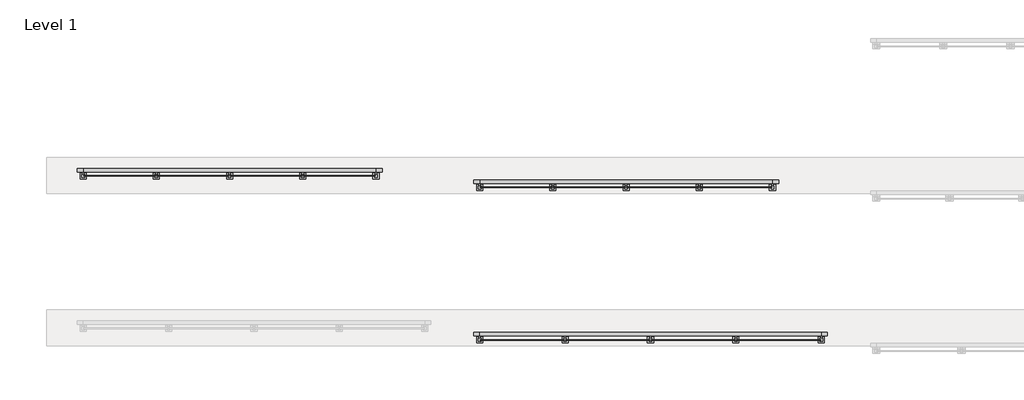
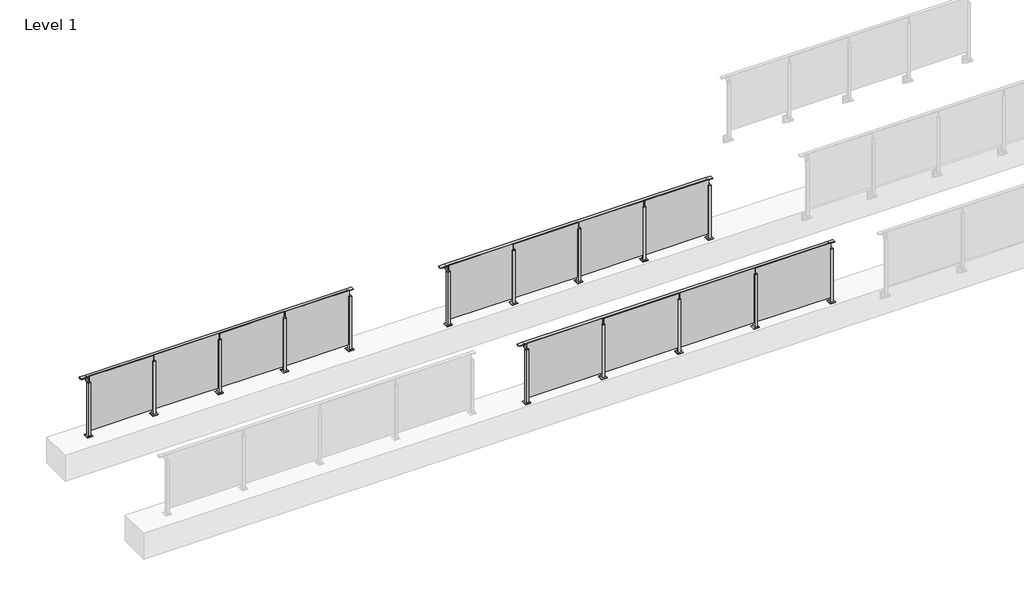
# One storey, part 58 of 64: 3 railings.
"""IFC4 building model written with IfcOpenShell, lengths in millimetres."""

from ifc_helpers import new_model, si_unit, point, frame, frame_2d, origin, origin_with_axes, place, context, project, spatial, polyline, circle_curve, trimmed, segment, composite_curve, outline, extrude, faceted_brep, element, save

model = new_model("IFC4")

# Units and contexts
model_context = context("Model", 3, world=origin())
ifc_project = project(units=[si_unit("LENGTHUNIT", "METRE", prefix="MILLI")], contexts=[model_context])

# Site, building, storey
site = spatial("IfcSite", under=ifc_project)
building = spatial("IfcBuilding", under=site)
storey = spatial("IfcBuildingStorey", under=building, Name="Level 1", Elevation=0.0)

# Railings
placement = place(None, origin())
element("IfcRailing", 1, at=placement, inside=storey, context=model_context, shape_type="SolidModel", body=[
    faceted_brep([(36500.0, 45125.6846828, 1085.0), (36500.0, 45125.6846828, 1100.0), (42100.0, 45125.6846828, 1100.0), (42100.0, 45125.6846828, 1085.0), (36500.0, 45065.6846828, 1085.0), (36500.0, 45105.6846828, 1085.0), (42100.0, 45105.6846828, 1085.0), (42100.0, 45065.6846828, 1085.0), (36500.0, 45065.6846828, 1100.0), (42100.0, 45065.6846828, 1100.0), (36400.0, 45125.6846828, 1100.0), (36400.0, 45125.6846828, 1085.0), (36400.0, 45110.6846828, 1085.0), (36400.0, 45110.6846828, 1073.0), (36400.0, 45105.6846828, 1073.0), (36400.0, 45105.6846828, 1085.0), (36400.0, 45065.6846828, 1085.0), (36400.0, 45065.6846828, 1100.0), (42200.0, 45125.6846828, 1100.0), (42200.0, 45065.6846828, 1100.0), (42200.0, 45065.6846828, 1085.0), (42200.0, 45105.6846828, 1085.0), (42200.0, 45105.6846828, 1073.0), (42200.0, 45110.6846828, 1073.0), (42200.0, 45110.6846828, 1085.0), (42200.0, 45125.6846828, 1085.0), (36500.0, 45110.6846828, 1085.0), (42100.0, 45110.6846828, 1085.0), (36500.0, 45110.6846828, 1073.0), (36500.0, 45105.6846828, 1073.0), (42100.0, 45110.6846828, 1073.0), (42100.0, 45105.6846828, 1073.0)], [[[0, 1, 2, 3]], [[4, 5, 6, 7]], [[8, 4, 7, 9]], [[1, 8, 9, 2]], [[10, 11, 12, 13, 14, 15, 16, 17]], [[11, 10, 1, 0]], [[16, 15, 5, 4]], [[17, 16, 4, 8]], [[10, 17, 8, 1]], [[18, 19, 20, 21, 22, 23, 24, 25]], [[3, 2, 18, 25]], [[7, 6, 21, 20]], [[9, 7, 20, 19]], [[2, 9, 19, 18]], [[12, 11, 0, 26]], [[26, 0, 3, 27]], [[27, 3, 25, 24]], [[13, 12, 26, 28]], [[14, 13, 28, 29]], [[15, 14, 29, 5]], [[28, 26, 27, 30]], [[29, 28, 30, 31]], [[5, 29, 31, 6]], [[30, 27, 24, 23]], [[31, 30, 23, 22]], [[6, 31, 22, 21]]]),
    extrude(outline(polyline([(40710.0, 44994.4094929), (40710.0, 45004.4094929), (42090.0, 45004.4094929), (42090.0, 44994.4094929), (40710.0, 44994.4094929)])), frame((0.0, 0.0, 95.0), z_axis=(0.0, 0.0, 1.0), x_axis=(1.0, 0.0, 0.0)), (0.0, 0.0, 1.0), 1055.0),
    extrude(outline(composite_curve([segment(polyline([(45110.6846828, 1085.0), (45110.6846828, 1060.900037)]), True, "CONTINUOUS"), segment(trimmed(circle_curve(frame_2d((45100.6846828, 1060.900037)), 10.0), [point((45110.6846828, 1060.900037))], [point((45103.2728733, 1051.2407787))], False, "CARTESIAN"), True, "CONTINUOUS"), segment(polyline([(45103.2728733, 1051.2407787), (45046.2244733, 1035.9547061)]), True, "CONTINUOUS"), segment(trimmed(circle_curve(frame_2d((45048.8126638, 1026.2954478)), 10.0), [point((45046.2244733, 1035.9547061))], [point((45038.8982152, 1027.6007097))], True, "CARTESIAN"), True, "CONTINUOUS"), segment(polyline([(45038.8982152, 1027.6007097), (45034.291393, 992.6084214)]), True, "CONTINUOUS"), segment(trimmed(circle_curve(frame_2d((45031.3170584, 993.0)), 3.0), [point((45034.291393, 992.6084214))], [point((45031.3170584, 990.0))], False, "CARTESIAN"), True, "CONTINUOUS"), segment(polyline([(45031.3170584, 990.0), (45022.6846828, 990.0), (45022.6846828, 1040.0), (45086.6846828, 1057.1487483), (45086.6846828, 1085.0), (45110.6846828, 1085.0)]), True, "CONTINUOUS")], self_intersect=False)), frame((40687.5, 0.0, 0.0), z_axis=(1.0, 0.0, 0.0), x_axis=(0.0, 1.0, 0.0)), (0.0, 0.0, 1.0), 25.0),
    extrude(outline(polyline([(40722.5, 45022.6846828), (40722.5, 44977.6846828), (40677.5, 44977.6846828), (40677.5, 45022.6846828), (40722.5, 45022.6846828)])), frame((0.0, 0.0, 1040.0), z_axis=(0.0, 0.0, 1.0), x_axis=(1.0, 0.0, 0.0)), (0.0, 0.0, 1.0), 5.0),
    extrude(outline(polyline([(40750.0, 45050.1846828), (40750.0, 44950.1846828), (40650.0, 44950.1846828), (40650.0, 45050.1846828), (40750.0, 45050.1846828)])), origin_with_axes(), (0.0, 0.0, 1.0), 12.0),
    extrude(outline(polyline([(40722.5, 45022.6846828), (40722.5, 44977.6846828), (40677.5, 44977.6846828), (40677.5, 45022.6846828), (40722.5, 45022.6846828)])), frame((0.0, 0.0, 12.0), z_axis=(0.0, 0.0, 1.0), x_axis=(1.0, 0.0, 0.0)), (0.0, 0.0, 1.0), 1028.0),
    extrude(outline(polyline([(39310.0, 44994.4094929), (39310.0, 45004.4094929), (40690.0, 45004.4094929), (40690.0, 44994.4094929), (39310.0, 44994.4094929)])), frame((0.0, 0.0, 95.0), z_axis=(0.0, 0.0, 1.0), x_axis=(1.0, 0.0, 0.0)), (0.0, 0.0, 1.0), 1055.0),
    extrude(outline(composite_curve([segment(polyline([(45110.6846828, 1085.0), (45110.6846828, 1060.900037)]), True, "CONTINUOUS"), segment(trimmed(circle_curve(frame_2d((45100.6846828, 1060.900037)), 10.0), [point((45110.6846828, 1060.900037))], [point((45103.2728733, 1051.2407787))], False, "CARTESIAN"), True, "CONTINUOUS"), segment(polyline([(45103.2728733, 1051.2407787), (45046.2244733, 1035.9547061)]), True, "CONTINUOUS"), segment(trimmed(circle_curve(frame_2d((45048.8126638, 1026.2954478)), 10.0), [point((45046.2244733, 1035.9547061))], [point((45038.8982152, 1027.6007097))], True, "CARTESIAN"), True, "CONTINUOUS"), segment(polyline([(45038.8982152, 1027.6007097), (45034.291393, 992.6084214)]), True, "CONTINUOUS"), segment(trimmed(circle_curve(frame_2d((45031.3170584, 993.0)), 3.0), [point((45034.291393, 992.6084214))], [point((45031.3170584, 990.0))], False, "CARTESIAN"), True, "CONTINUOUS"), segment(polyline([(45031.3170584, 990.0), (45022.6846828, 990.0), (45022.6846828, 1040.0), (45086.6846828, 1057.1487483), (45086.6846828, 1085.0), (45110.6846828, 1085.0)]), True, "CONTINUOUS")], self_intersect=False)), frame((39287.5, 0.0, 0.0), z_axis=(1.0, 0.0, 0.0), x_axis=(0.0, 1.0, 0.0)), (0.0, 0.0, 1.0), 25.0),
    extrude(outline(polyline([(39322.5, 45022.6846828), (39322.5, 44977.6846828), (39277.5, 44977.6846828), (39277.5, 45022.6846828), (39322.5, 45022.6846828)])), frame((0.0, 0.0, 1040.0), z_axis=(0.0, 0.0, 1.0), x_axis=(1.0, 0.0, 0.0)), (0.0, 0.0, 1.0), 5.0),
    extrude(outline(polyline([(39350.0, 45050.1846828), (39350.0, 44950.1846828), (39250.0, 44950.1846828), (39250.0, 45050.1846828), (39350.0, 45050.1846828)])), origin_with_axes(), (0.0, 0.0, 1.0), 12.0),
    extrude(outline(polyline([(39322.5, 45022.6846828), (39322.5, 44977.6846828), (39277.5, 44977.6846828), (39277.5, 45022.6846828), (39322.5, 45022.6846828)])), frame((0.0, 0.0, 12.0), z_axis=(0.0, 0.0, 1.0), x_axis=(1.0, 0.0, 0.0)), (0.0, 0.0, 1.0), 1028.0),
    extrude(outline(polyline([(37910.0, 44994.4094929), (37910.0, 45004.4094929), (39290.0, 45004.4094929), (39290.0, 44994.4094929), (37910.0, 44994.4094929)])), frame((0.0, 0.0, 95.0), z_axis=(0.0, 0.0, 1.0), x_axis=(1.0, 0.0, 0.0)), (0.0, 0.0, 1.0), 1055.0),
    extrude(outline(composite_curve([segment(polyline([(45110.6846828, 1085.0), (45110.6846828, 1060.900037)]), True, "CONTINUOUS"), segment(trimmed(circle_curve(frame_2d((45100.6846828, 1060.900037)), 10.0), [point((45110.6846828, 1060.900037))], [point((45103.2728733, 1051.2407787))], False, "CARTESIAN"), True, "CONTINUOUS"), segment(polyline([(45103.2728733, 1051.2407787), (45046.2244733, 1035.9547061)]), True, "CONTINUOUS"), segment(trimmed(circle_curve(frame_2d((45048.8126638, 1026.2954478)), 10.0), [point((45046.2244733, 1035.9547061))], [point((45038.8982152, 1027.6007097))], True, "CARTESIAN"), True, "CONTINUOUS"), segment(polyline([(45038.8982152, 1027.6007097), (45034.291393, 992.6084214)]), True, "CONTINUOUS"), segment(trimmed(circle_curve(frame_2d((45031.3170584, 993.0)), 3.0), [point((45034.291393, 992.6084214))], [point((45031.3170584, 990.0))], False, "CARTESIAN"), True, "CONTINUOUS"), segment(polyline([(45031.3170584, 990.0), (45022.6846828, 990.0), (45022.6846828, 1040.0), (45086.6846828, 1057.1487483), (45086.6846828, 1085.0), (45110.6846828, 1085.0)]), True, "CONTINUOUS")], self_intersect=False)), frame((37887.5, 0.0, 0.0), z_axis=(1.0, 0.0, 0.0), x_axis=(0.0, 1.0, 0.0)), (0.0, 0.0, 1.0), 25.0),
    extrude(outline(polyline([(37922.5, 45022.6846828), (37922.5, 44977.6846828), (37877.5, 44977.6846828), (37877.5, 45022.6846828), (37922.5, 45022.6846828)])), frame((0.0, 0.0, 1040.0), z_axis=(0.0, 0.0, 1.0), x_axis=(1.0, 0.0, 0.0)), (0.0, 0.0, 1.0), 5.0),
    extrude(outline(polyline([(37950.0, 45050.1846828), (37950.0, 44950.1846828), (37850.0, 44950.1846828), (37850.0, 45050.1846828), (37950.0, 45050.1846828)])), origin_with_axes(), (0.0, 0.0, 1.0), 12.0),
    extrude(outline(polyline([(37922.5, 45022.6846828), (37922.5, 44977.6846828), (37877.5, 44977.6846828), (37877.5, 45022.6846828), (37922.5, 45022.6846828)])), frame((0.0, 0.0, 12.0), z_axis=(0.0, 0.0, 1.0), x_axis=(1.0, 0.0, 0.0)), (0.0, 0.0, 1.0), 1028.0),
    extrude(outline(polyline([(36510.0, 44994.4094929), (36510.0, 45004.4094929), (37890.0, 45004.4094929), (37890.0, 44994.4094929), (36510.0, 44994.4094929)])), frame((0.0, 0.0, 95.0), z_axis=(0.0, 0.0, 1.0), x_axis=(1.0, 0.0, 0.0)), (0.0, 0.0, 1.0), 1055.0),
    extrude(outline(composite_curve([segment(polyline([(45110.6846828, 1085.0), (45110.6846828, 1060.900037)]), True, "CONTINUOUS"), segment(trimmed(circle_curve(frame_2d((45100.6846828, 1060.900037)), 10.0), [point((45110.6846828, 1060.900037))], [point((45103.2728733, 1051.2407787))], False, "CARTESIAN"), True, "CONTINUOUS"), segment(polyline([(45103.2728733, 1051.2407787), (45046.2244733, 1035.9547061)]), True, "CONTINUOUS"), segment(trimmed(circle_curve(frame_2d((45048.8126638, 1026.2954478)), 10.0), [point((45046.2244733, 1035.9547061))], [point((45038.8982152, 1027.6007097))], True, "CARTESIAN"), True, "CONTINUOUS"), segment(polyline([(45038.8982152, 1027.6007097), (45034.291393, 992.6084214)]), True, "CONTINUOUS"), segment(trimmed(circle_curve(frame_2d((45031.3170584, 993.0)), 3.0), [point((45034.291393, 992.6084214))], [point((45031.3170584, 990.0))], False, "CARTESIAN"), True, "CONTINUOUS"), segment(polyline([(45031.3170584, 990.0), (45022.6846828, 990.0), (45022.6846828, 1040.0), (45086.6846828, 1057.1487483), (45086.6846828, 1085.0), (45110.6846828, 1085.0)]), True, "CONTINUOUS")], self_intersect=False)), frame((42087.5, 0.0, 0.0), z_axis=(1.0, 0.0, 0.0), x_axis=(0.0, 1.0, 0.0)), (0.0, 0.0, 1.0), 25.0),
    extrude(outline(polyline([(42122.5, 45022.6846828), (42122.5, 44977.6846828), (42077.5, 44977.6846828), (42077.5, 45022.6846828), (42122.5, 45022.6846828)])), frame((0.0, 0.0, 1040.0), z_axis=(0.0, 0.0, 1.0), x_axis=(1.0, 0.0, 0.0)), (0.0, 0.0, 1.0), 5.0),
    extrude(outline(polyline([(42150.0, 45050.1846828), (42150.0, 44950.1846828), (42050.0, 44950.1846828), (42050.0, 45050.1846828), (42150.0, 45050.1846828)])), origin_with_axes(), (0.0, 0.0, 1.0), 12.0),
    extrude(outline(polyline([(42122.5, 45022.6846828), (42122.5, 44977.6846828), (42077.5, 44977.6846828), (42077.5, 45022.6846828), (42122.5, 45022.6846828)])), frame((0.0, 0.0, 12.0), z_axis=(0.0, 0.0, 1.0), x_axis=(1.0, 0.0, 0.0)), (0.0, 0.0, 1.0), 1028.0),
    extrude(outline(composite_curve([segment(polyline([(45110.6846828, 1085.0), (45110.6846828, 1060.900037)]), True, "CONTINUOUS"), segment(trimmed(circle_curve(frame_2d((45100.6846828, 1060.900037)), 10.0), [point((45110.6846828, 1060.900037))], [point((45103.2728733, 1051.2407787))], False, "CARTESIAN"), True, "CONTINUOUS"), segment(polyline([(45103.2728733, 1051.2407787), (45046.2244733, 1035.9547061)]), True, "CONTINUOUS"), segment(trimmed(circle_curve(frame_2d((45048.8126638, 1026.2954478)), 10.0), [point((45046.2244733, 1035.9547061))], [point((45038.8982152, 1027.6007097))], True, "CARTESIAN"), True, "CONTINUOUS"), segment(polyline([(45038.8982152, 1027.6007097), (45034.291393, 992.6084214)]), True, "CONTINUOUS"), segment(trimmed(circle_curve(frame_2d((45031.3170584, 993.0)), 3.0), [point((45034.291393, 992.6084214))], [point((45031.3170584, 990.0))], False, "CARTESIAN"), True, "CONTINUOUS"), segment(polyline([(45031.3170584, 990.0), (45022.6846828, 990.0), (45022.6846828, 1040.0), (45086.6846828, 1057.1487483), (45086.6846828, 1085.0), (45110.6846828, 1085.0)]), True, "CONTINUOUS")], self_intersect=False)), frame((36487.5, 0.0, 0.0), z_axis=(1.0, 0.0, 0.0), x_axis=(0.0, 1.0, 0.0)), (0.0, 0.0, 1.0), 25.0),
    extrude(outline(polyline([(36522.5, 45022.6846828), (36522.5, 44977.6846828), (36477.5, 44977.6846828), (36477.5, 45022.6846828), (36522.5, 45022.6846828)])), frame((0.0, 0.0, 1040.0), z_axis=(0.0, 0.0, 1.0), x_axis=(1.0, 0.0, 0.0)), (0.0, 0.0, 1.0), 5.0),
    extrude(outline(polyline([(36550.0, 45050.1846828), (36550.0, 44950.1846828), (36450.0, 44950.1846828), (36450.0, 45050.1846828), (36550.0, 45050.1846828)])), origin_with_axes(), (0.0, 0.0, 1.0), 12.0),
    extrude(outline(polyline([(36522.5, 45022.6846828), (36522.5, 44977.6846828), (36477.5, 44977.6846828), (36477.5, 45022.6846828), (36522.5, 45022.6846828)])), frame((0.0, 0.0, 12.0), z_axis=(0.0, 0.0, 1.0), x_axis=(1.0, 0.0, 0.0)), (0.0, 0.0, 1.0), 1028.0),
])
element("IfcRailing", 2, at=placement, inside=storey, context=model_context, shape_type="SolidModel", body=[
    faceted_brep([(29900.0, 47815.6846828, 1100.0), (29900.0, 47815.6846828, 1085.0), (29900.0, 47800.6846828, 1085.0), (29900.0, 47800.6846828, 1073.0), (29900.0, 47795.6846828, 1073.0), (29900.0, 47795.6846828, 1085.0), (29900.0, 47755.6846828, 1085.0), (29900.0, 47755.6846828, 1100.0), (30000.0, 47815.6846828, 1100.0), (30000.0, 47815.6846828, 1085.0), (30000.0, 47795.6846828, 1085.0), (30000.0, 47755.6846828, 1085.0), (30000.0, 47755.6846828, 1100.0), (34800.0, 47815.6846828, 1100.0), (34800.0, 47815.6846828, 1085.0), (34800.0, 47795.6846828, 1085.0), (34800.0, 47755.6846828, 1085.0), (34800.0, 47755.6846828, 1100.0), (34900.0, 47815.6846828, 1100.0), (34900.0, 47755.6846828, 1100.0), (34900.0, 47755.6846828, 1085.0), (34900.0, 47795.6846828, 1085.0), (34900.0, 47795.6846828, 1073.0), (34900.0, 47800.6846828, 1073.0), (34900.0, 47800.6846828, 1085.0), (34900.0, 47815.6846828, 1085.0), (30000.0, 47800.6846828, 1085.0), (34800.0, 47800.6846828, 1085.0), (30000.0, 47800.6846828, 1073.0), (30000.0, 47795.6846828, 1073.0), (34800.0, 47800.6846828, 1073.0), (34800.0, 47795.6846828, 1073.0)], [[[0, 1, 2, 3, 4, 5, 6, 7]], [[1, 0, 8, 9]], [[6, 5, 10, 11]], [[7, 6, 11, 12]], [[0, 7, 12, 8]], [[9, 8, 13, 14]], [[11, 10, 15, 16]], [[12, 11, 16, 17]], [[8, 12, 17, 13]], [[18, 19, 20, 21, 22, 23, 24, 25]], [[14, 13, 18, 25]], [[16, 15, 21, 20]], [[17, 16, 20, 19]], [[13, 17, 19, 18]], [[2, 1, 9, 26]], [[26, 9, 14, 27]], [[27, 14, 25, 24]], [[3, 2, 26, 28]], [[4, 3, 28, 29]], [[5, 4, 29, 10]], [[28, 26, 27, 30]], [[29, 28, 30, 31]], [[10, 29, 31, 15]], [[30, 27, 24, 23]], [[31, 30, 23, 22]], [[15, 31, 22, 21]]]),
    extrude(outline(polyline([(33610.0, 47689.4094929), (33610.0, 47699.4094929), (34790.0, 47699.4094929), (34790.0, 47689.4094929), (33610.0, 47689.4094929)])), frame((0.0, 0.0, 95.0), z_axis=(0.0, 0.0, 1.0), x_axis=(1.0, 0.0, 0.0)), (0.0, 0.0, 1.0), 1055.0),
    extrude(outline(composite_curve([segment(polyline([(47800.6846828, 1085.0), (47800.6846828, 1060.900037)]), True, "CONTINUOUS"), segment(trimmed(circle_curve(frame_2d((47790.6846828, 1060.900037)), 10.0), [point((47800.6846828, 1060.900037))], [point((47793.2728733, 1051.2407787))], False, "CARTESIAN"), True, "CONTINUOUS"), segment(polyline([(47793.2728733, 1051.2407787), (47736.2244733, 1035.9547061)]), True, "CONTINUOUS"), segment(trimmed(circle_curve(frame_2d((47738.8126638, 1026.2954478)), 10.0), [point((47736.2244733, 1035.9547061))], [point((47728.8982152, 1027.6007097))], True, "CARTESIAN"), True, "CONTINUOUS"), segment(polyline([(47728.8982152, 1027.6007097), (47724.291393, 992.6084214)]), True, "CONTINUOUS"), segment(trimmed(circle_curve(frame_2d((47721.3170584, 993.0)), 3.0), [point((47724.291393, 992.6084214))], [point((47721.3170584, 990.0))], False, "CARTESIAN"), True, "CONTINUOUS"), segment(polyline([(47721.3170584, 990.0), (47712.6846828, 990.0), (47712.6846828, 1040.0), (47776.6846828, 1057.1487483), (47776.6846828, 1085.0), (47800.6846828, 1085.0)]), True, "CONTINUOUS")], self_intersect=False)), frame((33587.5, 0.0, 0.0), z_axis=(1.0, 0.0, 0.0), x_axis=(0.0, 1.0, 0.0)), (0.0, 0.0, 1.0), 25.0),
    extrude(outline(polyline([(33622.5, 47712.6846828), (33622.5, 47667.6846828), (33577.5, 47667.6846828), (33577.5, 47712.6846828), (33622.5, 47712.6846828)])), frame((0.0, 0.0, 1040.0), z_axis=(0.0, 0.0, 1.0), x_axis=(1.0, 0.0, 0.0)), (0.0, 0.0, 1.0), 5.0),
    extrude(outline(polyline([(33650.0, 47740.1846828), (33650.0, 47640.1846828), (33550.0, 47640.1846828), (33550.0, 47740.1846828), (33650.0, 47740.1846828)])), origin_with_axes(), (0.0, 0.0, 1.0), 12.0),
    extrude(outline(polyline([(33622.5, 47712.6846828), (33622.5, 47667.6846828), (33577.5, 47667.6846828), (33577.5, 47712.6846828), (33622.5, 47712.6846828)])), frame((0.0, 0.0, 12.0), z_axis=(0.0, 0.0, 1.0), x_axis=(1.0, 0.0, 0.0)), (0.0, 0.0, 1.0), 1028.0),
    extrude(outline(polyline([(32410.0, 47689.4094929), (32410.0, 47699.4094929), (33590.0, 47699.4094929), (33590.0, 47689.4094929), (32410.0, 47689.4094929)])), frame((0.0, 0.0, 95.0), z_axis=(0.0, 0.0, 1.0), x_axis=(1.0, 0.0, 0.0)), (0.0, 0.0, 1.0), 1055.0),
    extrude(outline(composite_curve([segment(polyline([(47800.6846828, 1085.0), (47800.6846828, 1060.900037)]), True, "CONTINUOUS"), segment(trimmed(circle_curve(frame_2d((47790.6846828, 1060.900037)), 10.0), [point((47800.6846828, 1060.900037))], [point((47793.2728733, 1051.2407787))], False, "CARTESIAN"), True, "CONTINUOUS"), segment(polyline([(47793.2728733, 1051.2407787), (47736.2244733, 1035.9547061)]), True, "CONTINUOUS"), segment(trimmed(circle_curve(frame_2d((47738.8126638, 1026.2954478)), 10.0), [point((47736.2244733, 1035.9547061))], [point((47728.8982152, 1027.6007097))], True, "CARTESIAN"), True, "CONTINUOUS"), segment(polyline([(47728.8982152, 1027.6007097), (47724.291393, 992.6084214)]), True, "CONTINUOUS"), segment(trimmed(circle_curve(frame_2d((47721.3170584, 993.0)), 3.0), [point((47724.291393, 992.6084214))], [point((47721.3170584, 990.0))], False, "CARTESIAN"), True, "CONTINUOUS"), segment(polyline([(47721.3170584, 990.0), (47712.6846828, 990.0), (47712.6846828, 1040.0), (47776.6846828, 1057.1487483), (47776.6846828, 1085.0), (47800.6846828, 1085.0)]), True, "CONTINUOUS")], self_intersect=False)), frame((32387.5, 0.0, 0.0), z_axis=(1.0, 0.0, 0.0), x_axis=(0.0, 1.0, 0.0)), (0.0, 0.0, 1.0), 25.0),
    extrude(outline(polyline([(32422.5, 47712.6846828), (32422.5, 47667.6846828), (32377.5, 47667.6846828), (32377.5, 47712.6846828), (32422.5, 47712.6846828)])), frame((0.0, 0.0, 1040.0), z_axis=(0.0, 0.0, 1.0), x_axis=(1.0, 0.0, 0.0)), (0.0, 0.0, 1.0), 5.0),
    extrude(outline(polyline([(32450.0, 47740.1846828), (32450.0, 47640.1846828), (32350.0, 47640.1846828), (32350.0, 47740.1846828), (32450.0, 47740.1846828)])), origin_with_axes(), (0.0, 0.0, 1.0), 12.0),
    extrude(outline(polyline([(32422.5, 47712.6846828), (32422.5, 47667.6846828), (32377.5, 47667.6846828), (32377.5, 47712.6846828), (32422.5, 47712.6846828)])), frame((0.0, 0.0, 12.0), z_axis=(0.0, 0.0, 1.0), x_axis=(1.0, 0.0, 0.0)), (0.0, 0.0, 1.0), 1028.0),
    extrude(outline(polyline([(31210.0, 47689.4094929), (31210.0, 47699.4094929), (32390.0, 47699.4094929), (32390.0, 47689.4094929), (31210.0, 47689.4094929)])), frame((0.0, 0.0, 95.0), z_axis=(0.0, 0.0, 1.0), x_axis=(1.0, 0.0, 0.0)), (0.0, 0.0, 1.0), 1055.0),
    extrude(outline(composite_curve([segment(polyline([(47800.6846828, 1085.0), (47800.6846828, 1060.900037)]), True, "CONTINUOUS"), segment(trimmed(circle_curve(frame_2d((47790.6846828, 1060.900037)), 10.0), [point((47800.6846828, 1060.900037))], [point((47793.2728733, 1051.2407787))], False, "CARTESIAN"), True, "CONTINUOUS"), segment(polyline([(47793.2728733, 1051.2407787), (47736.2244733, 1035.9547061)]), True, "CONTINUOUS"), segment(trimmed(circle_curve(frame_2d((47738.8126638, 1026.2954478)), 10.0), [point((47736.2244733, 1035.9547061))], [point((47728.8982152, 1027.6007097))], True, "CARTESIAN"), True, "CONTINUOUS"), segment(polyline([(47728.8982152, 1027.6007097), (47724.291393, 992.6084214)]), True, "CONTINUOUS"), segment(trimmed(circle_curve(frame_2d((47721.3170584, 993.0)), 3.0), [point((47724.291393, 992.6084214))], [point((47721.3170584, 990.0))], False, "CARTESIAN"), True, "CONTINUOUS"), segment(polyline([(47721.3170584, 990.0), (47712.6846828, 990.0), (47712.6846828, 1040.0), (47776.6846828, 1057.1487483), (47776.6846828, 1085.0), (47800.6846828, 1085.0)]), True, "CONTINUOUS")], self_intersect=False)), frame((31187.5, 0.0, 0.0), z_axis=(1.0, 0.0, 0.0), x_axis=(0.0, 1.0, 0.0)), (0.0, 0.0, 1.0), 25.0),
    extrude(outline(polyline([(31222.5, 47712.6846828), (31222.5, 47667.6846828), (31177.5, 47667.6846828), (31177.5, 47712.6846828), (31222.5, 47712.6846828)])), frame((0.0, 0.0, 1040.0), z_axis=(0.0, 0.0, 1.0), x_axis=(1.0, 0.0, 0.0)), (0.0, 0.0, 1.0), 5.0),
    extrude(outline(polyline([(31250.0, 47740.1846828), (31250.0, 47640.1846828), (31150.0, 47640.1846828), (31150.0, 47740.1846828), (31250.0, 47740.1846828)])), origin_with_axes(), (0.0, 0.0, 1.0), 12.0),
    extrude(outline(polyline([(31222.5, 47712.6846828), (31222.5, 47667.6846828), (31177.5, 47667.6846828), (31177.5, 47712.6846828), (31222.5, 47712.6846828)])), frame((0.0, 0.0, 12.0), z_axis=(0.0, 0.0, 1.0), x_axis=(1.0, 0.0, 0.0)), (0.0, 0.0, 1.0), 1028.0),
    extrude(outline(polyline([(30010.0, 47689.4094929), (30010.0, 47699.4094929), (31190.0, 47699.4094929), (31190.0, 47689.4094929), (30010.0, 47689.4094929)])), frame((0.0, 0.0, 95.0), z_axis=(0.0, 0.0, 1.0), x_axis=(1.0, 0.0, 0.0)), (0.0, 0.0, 1.0), 1055.0),
    extrude(outline(composite_curve([segment(polyline([(47800.6846828, 1085.0), (47800.6846828, 1060.900037)]), True, "CONTINUOUS"), segment(trimmed(circle_curve(frame_2d((47790.6846828, 1060.900037)), 10.0), [point((47800.6846828, 1060.900037))], [point((47793.2728733, 1051.2407787))], False, "CARTESIAN"), True, "CONTINUOUS"), segment(polyline([(47793.2728733, 1051.2407787), (47736.2244733, 1035.9547061)]), True, "CONTINUOUS"), segment(trimmed(circle_curve(frame_2d((47738.8126638, 1026.2954478)), 10.0), [point((47736.2244733, 1035.9547061))], [point((47728.8982152, 1027.6007097))], True, "CARTESIAN"), True, "CONTINUOUS"), segment(polyline([(47728.8982152, 1027.6007097), (47724.291393, 992.6084214)]), True, "CONTINUOUS"), segment(trimmed(circle_curve(frame_2d((47721.3170584, 993.0)), 3.0), [point((47724.291393, 992.6084214))], [point((47721.3170584, 990.0))], False, "CARTESIAN"), True, "CONTINUOUS"), segment(polyline([(47721.3170584, 990.0), (47712.6846828, 990.0), (47712.6846828, 1040.0), (47776.6846828, 1057.1487483), (47776.6846828, 1085.0), (47800.6846828, 1085.0)]), True, "CONTINUOUS")], self_intersect=False)), frame((34787.5, 0.0, 0.0), z_axis=(1.0, 0.0, 0.0), x_axis=(0.0, 1.0, 0.0)), (0.0, 0.0, 1.0), 25.0),
    extrude(outline(polyline([(34822.5, 47712.6846828), (34822.5, 47667.6846828), (34777.5, 47667.6846828), (34777.5, 47712.6846828), (34822.5, 47712.6846828)])), frame((0.0, 0.0, 1040.0), z_axis=(0.0, 0.0, 1.0), x_axis=(1.0, 0.0, 0.0)), (0.0, 0.0, 1.0), 5.0),
    extrude(outline(polyline([(34850.0, 47740.1846828), (34850.0, 47640.1846828), (34750.0, 47640.1846828), (34750.0, 47740.1846828), (34850.0, 47740.1846828)])), origin_with_axes(), (0.0, 0.0, 1.0), 12.0),
    extrude(outline(polyline([(34822.5, 47712.6846828), (34822.5, 47667.6846828), (34777.5, 47667.6846828), (34777.5, 47712.6846828), (34822.5, 47712.6846828)])), frame((0.0, 0.0, 12.0), z_axis=(0.0, 0.0, 1.0), x_axis=(1.0, 0.0, 0.0)), (0.0, 0.0, 1.0), 1028.0),
    extrude(outline(composite_curve([segment(polyline([(47800.6846828, 1085.0), (47800.6846828, 1060.900037)]), True, "CONTINUOUS"), segment(trimmed(circle_curve(frame_2d((47790.6846828, 1060.900037)), 10.0), [point((47800.6846828, 1060.900037))], [point((47793.2728733, 1051.2407787))], False, "CARTESIAN"), True, "CONTINUOUS"), segment(polyline([(47793.2728733, 1051.2407787), (47736.2244733, 1035.9547061)]), True, "CONTINUOUS"), segment(trimmed(circle_curve(frame_2d((47738.8126638, 1026.2954478)), 10.0), [point((47736.2244733, 1035.9547061))], [point((47728.8982152, 1027.6007097))], True, "CARTESIAN"), True, "CONTINUOUS"), segment(polyline([(47728.8982152, 1027.6007097), (47724.291393, 992.6084214)]), True, "CONTINUOUS"), segment(trimmed(circle_curve(frame_2d((47721.3170584, 993.0)), 3.0), [point((47724.291393, 992.6084214))], [point((47721.3170584, 990.0))], False, "CARTESIAN"), True, "CONTINUOUS"), segment(polyline([(47721.3170584, 990.0), (47712.6846828, 990.0), (47712.6846828, 1040.0), (47776.6846828, 1057.1487483), (47776.6846828, 1085.0), (47800.6846828, 1085.0)]), True, "CONTINUOUS")], self_intersect=False)), frame((29987.5, 0.0, 0.0), z_axis=(1.0, 0.0, 0.0), x_axis=(0.0, 1.0, 0.0)), (0.0, 0.0, 1.0), 25.0),
    extrude(outline(polyline([(30022.5, 47712.6846828), (30022.5, 47667.6846828), (29977.5, 47667.6846828), (29977.5, 47712.6846828), (30022.5, 47712.6846828)])), frame((0.0, 0.0, 1040.0), z_axis=(0.0, 0.0, 1.0), x_axis=(1.0, 0.0, 0.0)), (0.0, 0.0, 1.0), 5.0),
    extrude(outline(polyline([(30050.0, 47740.1846828), (30050.0, 47640.1846828), (29950.0, 47640.1846828), (29950.0, 47740.1846828), (30050.0, 47740.1846828)])), origin_with_axes(), (0.0, 0.0, 1.0), 12.0),
    extrude(outline(polyline([(30022.5, 47712.6846828), (30022.5, 47667.6846828), (29977.5, 47667.6846828), (29977.5, 47712.6846828), (30022.5, 47712.6846828)])), frame((0.0, 0.0, 12.0), z_axis=(0.0, 0.0, 1.0), x_axis=(1.0, 0.0, 0.0)), (0.0, 0.0, 1.0), 1028.0),
])
element("IfcRailing", 3, at=placement, inside=storey, context=model_context, shape_type="SolidModel", body=[
    faceted_brep([(36400.0, 47625.6846828, 1100.0), (36400.0, 47625.6846828, 1085.0), (36400.0, 47610.6846828, 1085.0), (36400.0, 47610.6846828, 1073.0), (36400.0, 47605.6846828, 1073.0), (36400.0, 47605.6846828, 1085.0), (36400.0, 47565.6846828, 1085.0), (36400.0, 47565.6846828, 1100.0), (36500.0, 47625.6846828, 1100.0), (36500.0, 47625.6846828, 1085.0), (36500.0, 47605.6846828, 1085.0), (36500.0, 47565.6846828, 1085.0), (36500.0, 47565.6846828, 1100.0), (41300.0, 47625.6846828, 1100.0), (41300.0, 47625.6846828, 1085.0), (41300.0, 47605.6846828, 1085.0), (41300.0, 47565.6846828, 1085.0), (41300.0, 47565.6846828, 1100.0), (41400.0, 47625.6846828, 1100.0), (41400.0, 47565.6846828, 1100.0), (41400.0, 47565.6846828, 1085.0), (41400.0, 47605.6846828, 1085.0), (41400.0, 47605.6846828, 1073.0), (41400.0, 47610.6846828, 1073.0), (41400.0, 47610.6846828, 1085.0), (41400.0, 47625.6846828, 1085.0), (36500.0, 47610.6846828, 1085.0), (41300.0, 47610.6846828, 1085.0), (36500.0, 47610.6846828, 1073.0), (36500.0, 47605.6846828, 1073.0), (41300.0, 47610.6846828, 1073.0), (41300.0, 47605.6846828, 1073.0)], [[[0, 1, 2, 3, 4, 5, 6, 7]], [[1, 0, 8, 9]], [[6, 5, 10, 11]], [[7, 6, 11, 12]], [[0, 7, 12, 8]], [[9, 8, 13, 14]], [[11, 10, 15, 16]], [[12, 11, 16, 17]], [[8, 12, 17, 13]], [[18, 19, 20, 21, 22, 23, 24, 25]], [[14, 13, 18, 25]], [[16, 15, 21, 20]], [[17, 16, 20, 19]], [[13, 17, 19, 18]], [[2, 1, 9, 26]], [[26, 9, 14, 27]], [[27, 14, 25, 24]], [[3, 2, 26, 28]], [[4, 3, 28, 29]], [[5, 4, 29, 10]], [[28, 26, 27, 30]], [[29, 28, 30, 31]], [[10, 29, 31, 15]], [[30, 27, 24, 23]], [[31, 30, 23, 22]], [[15, 31, 22, 21]]]),
    extrude(outline(polyline([(40110.0, 47499.4094929), (40110.0, 47509.4094929), (41290.0, 47509.4094929), (41290.0, 47499.4094929), (40110.0, 47499.4094929)])), frame((0.0, 0.0, 95.0), z_axis=(0.0, 0.0, 1.0), x_axis=(1.0, 0.0, 0.0)), (0.0, 0.0, 1.0), 1055.0),
    extrude(outline(composite_curve([segment(polyline([(47610.6846828, 1085.0), (47610.6846828, 1060.900037)]), True, "CONTINUOUS"), segment(trimmed(circle_curve(frame_2d((47600.6846828, 1060.900037)), 10.0), [point((47610.6846828, 1060.900037))], [point((47603.2728733, 1051.2407787))], False, "CARTESIAN"), True, "CONTINUOUS"), segment(polyline([(47603.2728733, 1051.2407787), (47546.2244733, 1035.9547061)]), True, "CONTINUOUS"), segment(trimmed(circle_curve(frame_2d((47548.8126638, 1026.2954478)), 10.0), [point((47546.2244733, 1035.9547061))], [point((47538.8982152, 1027.6007097))], True, "CARTESIAN"), True, "CONTINUOUS"), segment(polyline([(47538.8982152, 1027.6007097), (47534.291393, 992.6084214)]), True, "CONTINUOUS"), segment(trimmed(circle_curve(frame_2d((47531.3170584, 993.0)), 3.0), [point((47534.291393, 992.6084214))], [point((47531.3170584, 990.0))], False, "CARTESIAN"), True, "CONTINUOUS"), segment(polyline([(47531.3170584, 990.0), (47522.6846828, 990.0), (47522.6846828, 1040.0), (47586.6846828, 1057.1487483), (47586.6846828, 1085.0), (47610.6846828, 1085.0)]), True, "CONTINUOUS")], self_intersect=False)), frame((40087.5, 0.0, 0.0), z_axis=(1.0, 0.0, 0.0), x_axis=(0.0, 1.0, 0.0)), (0.0, 0.0, 1.0), 25.0),
    extrude(outline(polyline([(40122.5, 47522.6846828), (40122.5, 47477.6846828), (40077.5, 47477.6846828), (40077.5, 47522.6846828), (40122.5, 47522.6846828)])), frame((0.0, 0.0, 1040.0), z_axis=(0.0, 0.0, 1.0), x_axis=(1.0, 0.0, 0.0)), (0.0, 0.0, 1.0), 5.0),
    extrude(outline(polyline([(40150.0, 47550.1846828), (40150.0, 47450.1846828), (40050.0, 47450.1846828), (40050.0, 47550.1846828), (40150.0, 47550.1846828)])), origin_with_axes(), (0.0, 0.0, 1.0), 12.0),
    extrude(outline(polyline([(40122.5, 47522.6846828), (40122.5, 47477.6846828), (40077.5, 47477.6846828), (40077.5, 47522.6846828), (40122.5, 47522.6846828)])), frame((0.0, 0.0, 12.0), z_axis=(0.0, 0.0, 1.0), x_axis=(1.0, 0.0, 0.0)), (0.0, 0.0, 1.0), 1028.0),
    extrude(outline(polyline([(38910.0, 47499.4094929), (38910.0, 47509.4094929), (40090.0, 47509.4094929), (40090.0, 47499.4094929), (38910.0, 47499.4094929)])), frame((0.0, 0.0, 95.0), z_axis=(0.0, 0.0, 1.0), x_axis=(1.0, 0.0, 0.0)), (0.0, 0.0, 1.0), 1055.0),
    extrude(outline(composite_curve([segment(polyline([(47610.6846828, 1085.0), (47610.6846828, 1060.900037)]), True, "CONTINUOUS"), segment(trimmed(circle_curve(frame_2d((47600.6846828, 1060.900037)), 10.0), [point((47610.6846828, 1060.900037))], [point((47603.2728733, 1051.2407787))], False, "CARTESIAN"), True, "CONTINUOUS"), segment(polyline([(47603.2728733, 1051.2407787), (47546.2244733, 1035.9547061)]), True, "CONTINUOUS"), segment(trimmed(circle_curve(frame_2d((47548.8126638, 1026.2954478)), 10.0), [point((47546.2244733, 1035.9547061))], [point((47538.8982152, 1027.6007097))], True, "CARTESIAN"), True, "CONTINUOUS"), segment(polyline([(47538.8982152, 1027.6007097), (47534.291393, 992.6084214)]), True, "CONTINUOUS"), segment(trimmed(circle_curve(frame_2d((47531.3170584, 993.0)), 3.0), [point((47534.291393, 992.6084214))], [point((47531.3170584, 990.0))], False, "CARTESIAN"), True, "CONTINUOUS"), segment(polyline([(47531.3170584, 990.0), (47522.6846828, 990.0), (47522.6846828, 1040.0), (47586.6846828, 1057.1487483), (47586.6846828, 1085.0), (47610.6846828, 1085.0)]), True, "CONTINUOUS")], self_intersect=False)), frame((38887.5, 0.0, 0.0), z_axis=(1.0, 0.0, 0.0), x_axis=(0.0, 1.0, 0.0)), (0.0, 0.0, 1.0), 25.0),
    extrude(outline(polyline([(38922.5, 47522.6846828), (38922.5, 47477.6846828), (38877.5, 47477.6846828), (38877.5, 47522.6846828), (38922.5, 47522.6846828)])), frame((0.0, 0.0, 1040.0), z_axis=(0.0, 0.0, 1.0), x_axis=(1.0, 0.0, 0.0)), (0.0, 0.0, 1.0), 5.0),
    extrude(outline(polyline([(38950.0, 47550.1846828), (38950.0, 47450.1846828), (38850.0, 47450.1846828), (38850.0, 47550.1846828), (38950.0, 47550.1846828)])), origin_with_axes(), (0.0, 0.0, 1.0), 12.0),
    extrude(outline(polyline([(38922.5, 47522.6846828), (38922.5, 47477.6846828), (38877.5, 47477.6846828), (38877.5, 47522.6846828), (38922.5, 47522.6846828)])), frame((0.0, 0.0, 12.0), z_axis=(0.0, 0.0, 1.0), x_axis=(1.0, 0.0, 0.0)), (0.0, 0.0, 1.0), 1028.0),
    extrude(outline(polyline([(37710.0, 47499.4094929), (37710.0, 47509.4094929), (38890.0, 47509.4094929), (38890.0, 47499.4094929), (37710.0, 47499.4094929)])), frame((0.0, 0.0, 95.0), z_axis=(0.0, 0.0, 1.0), x_axis=(1.0, 0.0, 0.0)), (0.0, 0.0, 1.0), 1055.0),
    extrude(outline(composite_curve([segment(polyline([(47610.6846828, 1085.0), (47610.6846828, 1060.900037)]), True, "CONTINUOUS"), segment(trimmed(circle_curve(frame_2d((47600.6846828, 1060.900037)), 10.0), [point((47610.6846828, 1060.900037))], [point((47603.2728733, 1051.2407787))], False, "CARTESIAN"), True, "CONTINUOUS"), segment(polyline([(47603.2728733, 1051.2407787), (47546.2244733, 1035.9547061)]), True, "CONTINUOUS"), segment(trimmed(circle_curve(frame_2d((47548.8126638, 1026.2954478)), 10.0), [point((47546.2244733, 1035.9547061))], [point((47538.8982152, 1027.6007097))], True, "CARTESIAN"), True, "CONTINUOUS"), segment(polyline([(47538.8982152, 1027.6007097), (47534.291393, 992.6084214)]), True, "CONTINUOUS"), segment(trimmed(circle_curve(frame_2d((47531.3170584, 993.0)), 3.0), [point((47534.291393, 992.6084214))], [point((47531.3170584, 990.0))], False, "CARTESIAN"), True, "CONTINUOUS"), segment(polyline([(47531.3170584, 990.0), (47522.6846828, 990.0), (47522.6846828, 1040.0), (47586.6846828, 1057.1487483), (47586.6846828, 1085.0), (47610.6846828, 1085.0)]), True, "CONTINUOUS")], self_intersect=False)), frame((37687.5, 0.0, 0.0), z_axis=(1.0, 0.0, 0.0), x_axis=(0.0, 1.0, 0.0)), (0.0, 0.0, 1.0), 25.0),
    extrude(outline(polyline([(37722.5, 47522.6846828), (37722.5, 47477.6846828), (37677.5, 47477.6846828), (37677.5, 47522.6846828), (37722.5, 47522.6846828)])), frame((0.0, 0.0, 1040.0), z_axis=(0.0, 0.0, 1.0), x_axis=(1.0, 0.0, 0.0)), (0.0, 0.0, 1.0), 5.0),
    extrude(outline(polyline([(37750.0, 47550.1846828), (37750.0, 47450.1846828), (37650.0, 47450.1846828), (37650.0, 47550.1846828), (37750.0, 47550.1846828)])), origin_with_axes(), (0.0, 0.0, 1.0), 12.0),
    extrude(outline(polyline([(37722.5, 47522.6846828), (37722.5, 47477.6846828), (37677.5, 47477.6846828), (37677.5, 47522.6846828), (37722.5, 47522.6846828)])), frame((0.0, 0.0, 12.0), z_axis=(0.0, 0.0, 1.0), x_axis=(1.0, 0.0, 0.0)), (0.0, 0.0, 1.0), 1028.0),
    extrude(outline(polyline([(36510.0, 47499.4094929), (36510.0, 47509.4094929), (37690.0, 47509.4094929), (37690.0, 47499.4094929), (36510.0, 47499.4094929)])), frame((0.0, 0.0, 95.0), z_axis=(0.0, 0.0, 1.0), x_axis=(1.0, 0.0, 0.0)), (0.0, 0.0, 1.0), 1055.0),
    extrude(outline(composite_curve([segment(polyline([(47610.6846828, 1085.0), (47610.6846828, 1060.900037)]), True, "CONTINUOUS"), segment(trimmed(circle_curve(frame_2d((47600.6846828, 1060.900037)), 10.0), [point((47610.6846828, 1060.900037))], [point((47603.2728733, 1051.2407787))], False, "CARTESIAN"), True, "CONTINUOUS"), segment(polyline([(47603.2728733, 1051.2407787), (47546.2244733, 1035.9547061)]), True, "CONTINUOUS"), segment(trimmed(circle_curve(frame_2d((47548.8126638, 1026.2954478)), 10.0), [point((47546.2244733, 1035.9547061))], [point((47538.8982152, 1027.6007097))], True, "CARTESIAN"), True, "CONTINUOUS"), segment(polyline([(47538.8982152, 1027.6007097), (47534.291393, 992.6084214)]), True, "CONTINUOUS"), segment(trimmed(circle_curve(frame_2d((47531.3170584, 993.0)), 3.0), [point((47534.291393, 992.6084214))], [point((47531.3170584, 990.0))], False, "CARTESIAN"), True, "CONTINUOUS"), segment(polyline([(47531.3170584, 990.0), (47522.6846828, 990.0), (47522.6846828, 1040.0), (47586.6846828, 1057.1487483), (47586.6846828, 1085.0), (47610.6846828, 1085.0)]), True, "CONTINUOUS")], self_intersect=False)), frame((41287.5, 0.0, 0.0), z_axis=(1.0, 0.0, 0.0), x_axis=(0.0, 1.0, 0.0)), (0.0, 0.0, 1.0), 25.0),
    extrude(outline(polyline([(41322.5, 47522.6846828), (41322.5, 47477.6846828), (41277.5, 47477.6846828), (41277.5, 47522.6846828), (41322.5, 47522.6846828)])), frame((0.0, 0.0, 1040.0), z_axis=(0.0, 0.0, 1.0), x_axis=(1.0, 0.0, 0.0)), (0.0, 0.0, 1.0), 5.0),
    extrude(outline(polyline([(41350.0, 47550.1846828), (41350.0, 47450.1846828), (41250.0, 47450.1846828), (41250.0, 47550.1846828), (41350.0, 47550.1846828)])), origin_with_axes(), (0.0, 0.0, 1.0), 12.0),
    extrude(outline(polyline([(41322.5, 47522.6846828), (41322.5, 47477.6846828), (41277.5, 47477.6846828), (41277.5, 47522.6846828), (41322.5, 47522.6846828)])), frame((0.0, 0.0, 12.0), z_axis=(0.0, 0.0, 1.0), x_axis=(1.0, 0.0, 0.0)), (0.0, 0.0, 1.0), 1028.0),
    extrude(outline(composite_curve([segment(polyline([(47610.6846828, 1085.0), (47610.6846828, 1060.900037)]), True, "CONTINUOUS"), segment(trimmed(circle_curve(frame_2d((47600.6846828, 1060.900037)), 10.0), [point((47610.6846828, 1060.900037))], [point((47603.2728733, 1051.2407787))], False, "CARTESIAN"), True, "CONTINUOUS"), segment(polyline([(47603.2728733, 1051.2407787), (47546.2244733, 1035.9547061)]), True, "CONTINUOUS"), segment(trimmed(circle_curve(frame_2d((47548.8126638, 1026.2954478)), 10.0), [point((47546.2244733, 1035.9547061))], [point((47538.8982152, 1027.6007097))], True, "CARTESIAN"), True, "CONTINUOUS"), segment(polyline([(47538.8982152, 1027.6007097), (47534.291393, 992.6084214)]), True, "CONTINUOUS"), segment(trimmed(circle_curve(frame_2d((47531.3170584, 993.0)), 3.0), [point((47534.291393, 992.6084214))], [point((47531.3170584, 990.0))], False, "CARTESIAN"), True, "CONTINUOUS"), segment(polyline([(47531.3170584, 990.0), (47522.6846828, 990.0), (47522.6846828, 1040.0), (47586.6846828, 1057.1487483), (47586.6846828, 1085.0), (47610.6846828, 1085.0)]), True, "CONTINUOUS")], self_intersect=False)), frame((36487.5, 0.0, 0.0), z_axis=(1.0, 0.0, 0.0), x_axis=(0.0, 1.0, 0.0)), (0.0, 0.0, 1.0), 25.0),
    extrude(outline(polyline([(36522.5, 47522.6846828), (36522.5, 47477.6846828), (36477.5, 47477.6846828), (36477.5, 47522.6846828), (36522.5, 47522.6846828)])), frame((0.0, 0.0, 1040.0), z_axis=(0.0, 0.0, 1.0), x_axis=(1.0, 0.0, 0.0)), (0.0, 0.0, 1.0), 5.0),
    extrude(outline(polyline([(36550.0, 47550.1846828), (36550.0, 47450.1846828), (36450.0, 47450.1846828), (36450.0, 47550.1846828), (36550.0, 47550.1846828)])), origin_with_axes(), (0.0, 0.0, 1.0), 12.0),
    extrude(outline(polyline([(36522.5, 47522.6846828), (36522.5, 47477.6846828), (36477.5, 47477.6846828), (36477.5, 47522.6846828), (36522.5, 47522.6846828)])), frame((0.0, 0.0, 12.0), z_axis=(0.0, 0.0, 1.0), x_axis=(1.0, 0.0, 0.0)), (0.0, 0.0, 1.0), 1028.0),
])

save(model, "model.ifc")
